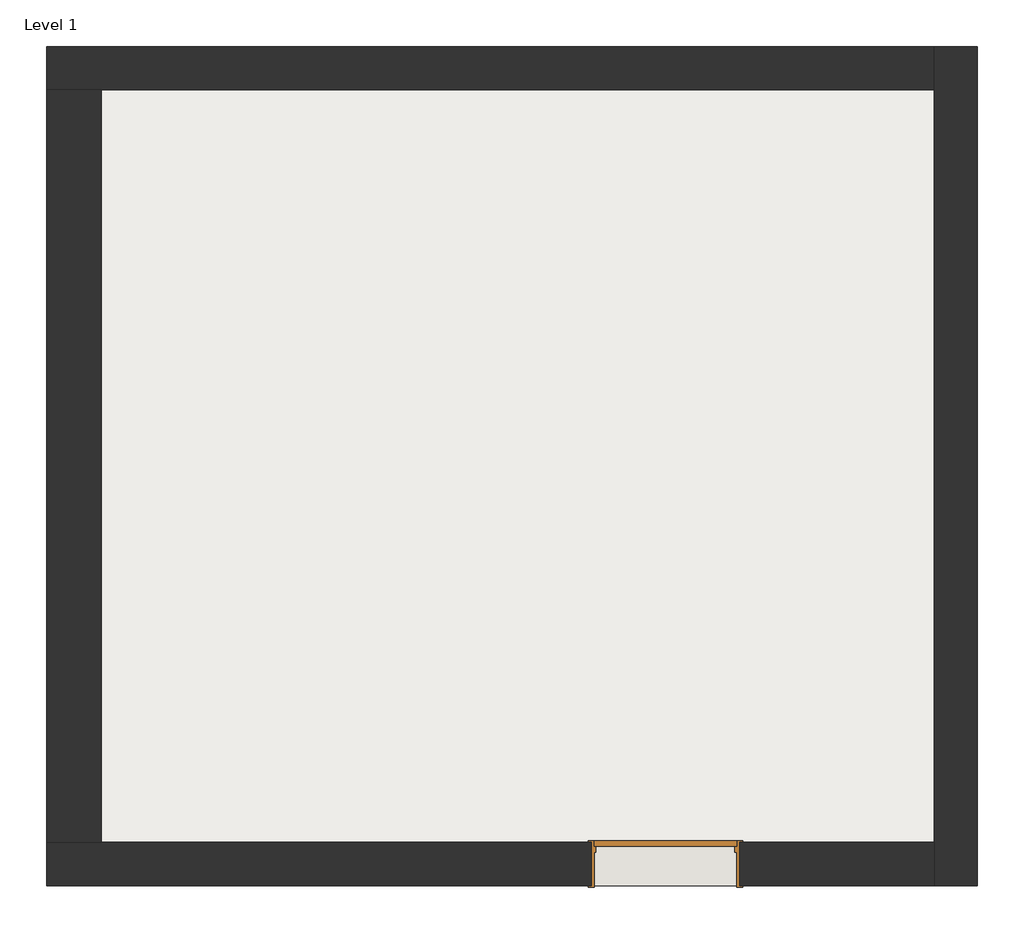
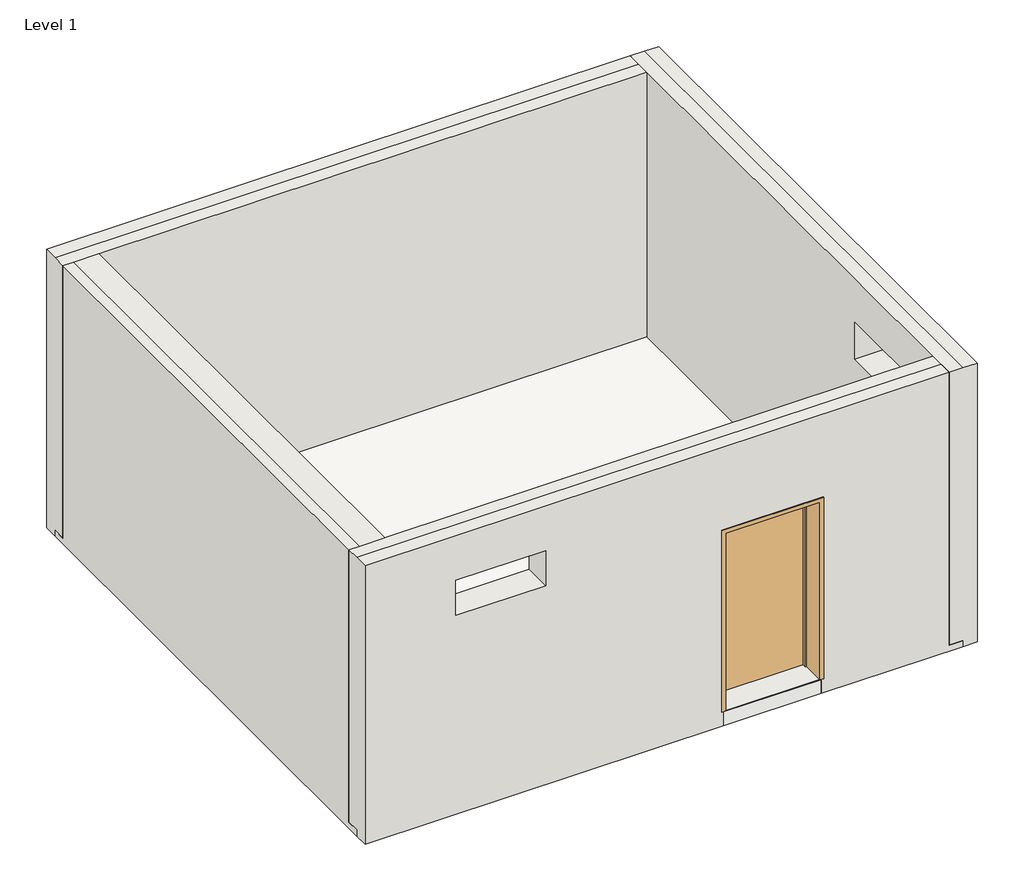
# One storey: 4 walls, 1 door, 1 slab.
"""IFC4 building model written with IfcOpenShell, lengths in millimetres."""

import ifcopenshell
import ifcopenshell.guid

model = None  # the IFC model being written
_history = None  # IfcOwnerHistory: only IFC2X3 demands one
_inside = {}  # id of a spatial element -> (the spatial element, [elements in it])
_under = {}  # id of a project, library or spatial element -> (it, [spatial elements below it])
_declared = {}  # id of a project -> (the project, [libraries it declares])
_typed = {}  # id of a type object -> (the type object, [elements of that type])
_made_of = {}  # id of a material, layer set ... -> (it, [elements and type objects made of it])


def new_model(schema):
    """Start an empty IFC model of exactly this schema.

    Asked for "IFC4X3", IfcOpenShell would pick the latest addendum, in which some entities
    have other attributes; the version numbers below select the first issue.
    IFC2X3 requires an IfcOwnerHistory on every rooted entity: one is made here for all.
    """
    global model, _history
    if schema == "IFC4X3":
        model = ifcopenshell.file(schema_version=(4, 3, 0, 0))
    else:
        model = ifcopenshell.file(schema=schema)
    _inside.clear()
    _under.clear()
    _declared.clear()
    _typed.clear()
    _made_of.clear()
    _history = None
    if model.schema == "IFC2X3":
        org = make("IfcOrganization", Name="unknown")
        user = make(
            "IfcPersonAndOrganization",
            ThePerson=make("IfcPerson", FamilyName="unknown"),
            TheOrganization=org,
        )
        app = make(
            "IfcApplication",
            ApplicationDeveloper=org,
            Version="unknown",
            ApplicationFullName="unknown",
            ApplicationIdentifier="unknown",
        )
        _history = make(
            "IfcOwnerHistory",
            OwningUser=user,
            OwningApplication=app,
            ChangeAction="ADDED",
            CreationDate=0,
        )
    return model


def make(cls, **values):
    """One entity of the class cls with the attributes given. An attribute that is None is left unset."""
    return model.create_entity(
        cls, **{name: value for name, value in values.items() if value is not None}
    )


def rooted(cls, **values):
    """An entity with a GlobalId (a new one), such as an element, a storey or a relation."""
    return make(cls, GlobalId=ifcopenshell.guid.new(), OwnerHistory=_history, **values)


def si_unit(unit_type, name, prefix=None):
    """IfcSIUnit, for example si_unit("LENGTHUNIT", "METRE", prefix="MILLI")."""
    return make("IfcSIUnit", UnitType=unit_type, Prefix=prefix, Name=name)


def assignment(units):
    """IfcUnitAssignment: the units of a project."""
    return None if units is None else make("IfcUnitAssignment", Units=units)


def point(xyz):
    """IfcCartesianPoint."""
    return None if xyz is None else make("IfcCartesianPoint", Coordinates=xyz)


def direction(xyz):
    """IfcDirection."""
    return None if xyz is None else make("IfcDirection", DirectionRatios=xyz)


def frame(location, z_axis=None, x_axis=None):
    """IfcAxis2Placement3D, a coordinate frame: its origin and axes. An axis left out is left unset."""
    return make(
        "IfcAxis2Placement3D",
        Location=point(location),
        Axis=direction(z_axis),
        RefDirection=direction(x_axis),
    )


def origin():
    """The frame at (0, 0, 0) with its axes left unset."""
    return frame((0.0, 0.0, 0.0))


def origin_with_axes():
    """The frame at (0, 0, 0) with the z axis (0, 0, 1) and the x axis (1, 0, 0) written out."""
    return frame((0.0, 0.0, 0.0), z_axis=(0.0, 0.0, 1.0), x_axis=(1.0, 0.0, 0.0))


def place(relative_to, where):
    """IfcLocalPlacement: puts the frame where relative to a parent placement (None: the world)."""
    return make(
        "IfcLocalPlacement", PlacementRelTo=relative_to, RelativePlacement=where
    )


def context(
    kind, dimensions, precision=None, world=None, true_north=None, identifier=None
):
    """IfcGeometricRepresentationContext, for example the 3D "Model" context."""
    return make(
        "IfcGeometricRepresentationContext",
        ContextIdentifier=identifier,
        ContextType=kind,
        CoordinateSpaceDimension=dimensions,
        Precision=precision,
        WorldCoordinateSystem=world,
        TrueNorth=true_north,
    )


def project(units=None, contexts=None):
    """IfcProject with its units and contexts."""
    return rooted(
        "IfcProject",
        Name="project",
        RepresentationContexts=contexts,
        UnitsInContext=assignment(units),
    )


def spatial(cls, under=None, at=None, **own):
    """A site, building, storey or space (cls), placed at a placement, below another one or the project."""
    s = rooted(cls, ObjectPlacement=at, **own)
    if under is not None:
        _under.setdefault(under.id(), (under, []))[1].append(s)
    return s


def polyline(points):
    """IfcPolyline through the points."""
    return make("IfcPolyline", Points=[point(p) for p in points])


def outline(outer, holes=None, kind="AREA"):
    """IfcArbitraryClosedProfileDef: a profile drawn as a closed curve; with holes, ...WithVoids."""
    if holes is None:
        return make("IfcArbitraryClosedProfileDef", ProfileType=kind, OuterCurve=outer)
    return make(
        "IfcArbitraryProfileDefWithVoids",
        ProfileType=kind,
        OuterCurve=outer,
        InnerCurves=holes,
    )


def extrude(swept, where, along, depth):
    """IfcExtrudedAreaSolid: the profile swept, set in the frame where, extruded along a direction by depth."""
    return make(
        "IfcExtrudedAreaSolid",
        SweptArea=swept,
        Position=where,
        ExtrudedDirection=direction(along),
        Depth=depth,
    )


def faces_of(points, faces, orient=None, outer=None):
    """IfcFace entities. A face is a list of loops; a loop is a list of indices into points, from 0.

    orient and outer hold one flag for each loop. By default every Orientation is true, the
    first loop of a face is its IfcFaceOuterBound and the others are IfcFaceBound.
    """
    made = []
    for i, loops in enumerate(faces):
        bounds = []
        for j, loop in enumerate(loops):
            is_outer = j == 0 if outer is None else outer[i][j]
            bounds.append(
                make(
                    "IfcFaceOuterBound" if is_outer else "IfcFaceBound",
                    Bound=make("IfcPolyLoop", Polygon=[points[k] for k in loop]),
                    Orientation=True if orient is None else orient[i][j],
                )
            )
        made.append(make("IfcFace", Bounds=bounds))
    return made


def faceted_brep(points, faces, orient=None, outer=None, voids=None):
    """IfcFacetedBrep: a solid bounded by flat faces; with voids (closed shells), ...WithVoids."""
    shared = [point(p) for p in points]
    hull = make("IfcClosedShell", CfsFaces=faces_of(shared, faces, orient, outer))
    if voids is None:
        return make("IfcFacetedBrep", Outer=hull)
    return make(
        "IfcFacetedBrepWithVoids",
        Outer=hull,
        Voids=[
            make(cls, CfsFaces=faces_of(shared, fs, o, b)) for cls, fs, o, b in voids
        ],
    )


def shape(context_of_items, identifier, shape_type, items):
    """IfcShapeRepresentation: the items that make up one representation, for example the "Body"."""
    return make(
        "IfcShapeRepresentation",
        ContextOfItems=context_of_items,
        RepresentationIdentifier=identifier,
        RepresentationType=shape_type,
        Items=items,
    )


def source(mapping_origin, context_of_items, identifier, shape_type, items):
    """IfcRepresentationMap: a shape defined once, which mapped items show again and again."""
    return make(
        "IfcRepresentationMap",
        MappingOrigin=mapping_origin,
        MappedRepresentation=shape(context_of_items, identifier, shape_type, items),
    )


def transform(
    local_origin,
    x_axis=None,
    y_axis=None,
    z_axis=None,
    scale=None,
    scale2=None,
    scale3=None,
    uniform=True,
):
    """IfcCartesianTransformationOperator3D, or its non-uniform kind. x_axis, y_axis, z_axis: its Axis1, 2, 3."""
    if uniform:
        return make(
            "IfcCartesianTransformationOperator3D",
            Axis1=direction(x_axis),
            Axis2=direction(y_axis),
            LocalOrigin=point(local_origin),
            Scale=scale,
            Axis3=direction(z_axis),
        )
    return make(
        "IfcCartesianTransformationOperator3DnonUniform",
        Axis1=direction(x_axis),
        Axis2=direction(y_axis),
        LocalOrigin=point(local_origin),
        Scale=scale,
        Axis3=direction(z_axis),
        Scale2=scale2,
        Scale3=scale3,
    )


def mapped(mapping_source, mapping_target):
    """IfcMappedItem: shows the shape of a source again, moved by a transform."""
    return make(
        "IfcMappedItem", MappingSource=mapping_source, MappingTarget=mapping_target
    )


def made_of(thing, what):
    """Note that an element or type object is made of a material, layer set ...; save() writes the relation."""
    if what is not None:
        _made_of.setdefault(what.id(), (what, []))[1].append(thing)
    return thing


def element(
    cls,
    number,
    at=None,
    inside=None,
    cuts=None,
    type_object=None,
    material=None,
    context=None,
    identifier="Body",
    shape_type=None,
    held_by="IfcProductDefinitionShape",
    body=None,
    shapes=None,
    **own,
):
    """One element of the class cls, such as IfcWall. Its Tag is "e" and its number.

    at: its placement. inside: the storey or other place that contains it. cuts: it is an
    opening in that element (IfcRelVoidsElement). A single representation is given by context,
    identifier, shape_type and body (its items); several are given by shapes. held_by: the class
    of the entity that holds the representations. save() writes the other relations.
    """
    e = rooted(cls, Tag="e%d" % number, ObjectPlacement=at, **own)
    if body is not None:
        shapes = [shape(context, identifier, shape_type, body)]
    if shapes is not None:
        e.Representation = make(held_by, Representations=shapes)
    if inside is not None:
        _inside.setdefault(inside.id(), (inside, []))[1].append(e)
    if cuts is not None:
        rooted(
            "IfcRelVoidsElement", RelatingBuildingElement=cuts, RelatedOpeningElement=e
        )
    if type_object is not None:
        _typed.setdefault(type_object.id(), (type_object, []))[1].append(e)
    return made_of(e, material)


def aggregate(whole, parts):
    """IfcRelAggregates: a whole, such as a stair, and the parts it consists of."""
    return rooted("IfcRelAggregates", RelatingObject=whole, RelatedObjects=parts)


def save(model, path):
    """Write the relations noted so far, then the file.

    IfcRelAggregates (storeys below a building ...), IfcRelContainedInSpatialStructure (elements
    in a storey), IfcRelDefinesByType, IfcRelAssociatesMaterial and IfcRelDeclares: one each for
    every whole, place, type object, material and project.
    """
    for whole, parts in _under.values():
        aggregate(whole, parts)
    for where, things in _inside.values():
        rooted(
            "IfcRelContainedInSpatialStructure",
            RelatedElements=things,
            RelatingStructure=where,
        )
    for kind, things in _typed.values():
        rooted("IfcRelDefinesByType", RelatedObjects=things, RelatingType=kind)
    for what, things in _made_of.values():
        rooted("IfcRelAssociatesMaterial", RelatedObjects=things, RelatingMaterial=what)
    for by, libraries in _declared.values():
        rooted("IfcRelDeclares", RelatingContext=by, RelatedDefinitions=libraries)
    model.write(path)


def single_plain_panel_hollow_metal_frame_u_acoustical_door_stc_e2106f04(model_context):
    return source(origin(), model_context, "Body", "SolidModel", [
        extrude(outline(polyline([(609.6, -152.4), (609.6, -196.85), (-609.6, -196.85), (-609.6, -152.4), (609.6, -152.4)])), origin_with_axes(), (0.0, 0.0, 1.0), 2438.4),
        faceted_brep([(660.4, 184.15, 0.0), (635.0, 184.15, 0.0), (635.0, -184.15, 0.0), (660.4, -184.15, 0.0), (660.4, -196.85, 0.0), (609.6, -196.85, 0.0), (609.6, -152.4, 0.0), (593.725, -152.4, 0.0), (593.725, -101.6, 0.0), (609.6, -101.6, 0.0), (609.6, 196.85, 0.0), (660.4, 196.85, 0.0), (660.4, 196.85, 2489.2), (660.4, 184.15, 2489.2), (609.6, 196.85, 2438.4), (-609.6, 196.85, 2438.4), (-609.6, 196.85, 0.0), (-660.4, 196.85, 0.0), (-660.4, 196.85, 2489.2), (609.6, -101.6, 2438.4), (593.725, -101.6, 2422.525), (-593.725, -101.6, 2422.525), (-593.725, -101.6, 0.0), (-609.6, -101.6, 0.0), (-609.6, -101.6, 2438.4), (593.725, -152.4, 2422.525), (609.6, -152.4, 2438.4), (-609.6, -152.4, 2438.4), (-609.6, -152.4, 0.0), (-593.725, -152.4, 0.0), (-593.725, -152.4, 2422.525), (609.6, -196.85, 2438.4), (660.4, -196.85, 2489.2), (-660.4, -196.85, 2489.2), (-660.4, -196.85, 0.0), (-609.6, -196.85, 0.0), (-609.6, -196.85, 2438.4), (660.4, -184.15, 2489.2), (635.0, -184.15, 2463.8), (-635.0, -184.15, 2463.8), (-635.0, -184.15, 0.0), (-660.4, -184.15, 0.0), (-660.4, -184.15, 2489.2), (635.0, 184.15, 2463.8), (-660.4, 184.15, 2489.2), (-660.4, 184.15, 0.0), (-635.0, 184.15, 0.0), (-635.0, 184.15, 2463.8)], [[[0, 1, 2, 3, 4, 5, 6, 7, 8, 9, 10, 11]], [[11, 12, 13, 0]], [[10, 14, 15, 16, 17, 18, 12, 11]], [[9, 19, 14, 10]], [[8, 20, 21, 22, 23, 24, 19, 9]], [[7, 25, 20, 8]], [[6, 26, 27, 28, 29, 30, 25, 7]], [[5, 31, 26, 6]], [[4, 32, 33, 34, 35, 36, 31, 5]], [[3, 37, 32, 4]], [[2, 38, 39, 40, 41, 42, 37, 3]], [[1, 43, 38, 2]], [[0, 13, 44, 45, 46, 47, 43, 1]], [[18, 17, 45, 44]], [[45, 17, 16, 23, 22, 29, 28, 35, 34, 41, 40, 46]], [[24, 23, 16, 15]], [[30, 29, 22, 21]], [[36, 35, 28, 27]], [[42, 41, 34, 33]], [[47, 46, 40, 39]], [[12, 18, 44, 13]], [[19, 24, 15, 14]], [[25, 30, 21, 20]], [[31, 36, 27, 26]], [[37, 42, 33, 32]], [[43, 47, 39, 38]]]),
    ])


model = new_model("IFC4")

# Units and contexts
model_context = context("Model", 3, world=origin())
ifc_project = project(units=[si_unit("LENGTHUNIT", "METRE", prefix="MILLI")], contexts=[model_context])

# Site, building, storey
site = spatial("IfcSite", under=ifc_project)
building = spatial("IfcBuilding", under=site)
storey = spatial("IfcBuildingStorey", under=building, Name="Level 1", Elevation=0.0)

# Door
placement = place(None, origin())
single_plain_panel_hollow_metal_frame_u_acoustical_door_stc_shape = single_plain_panel_hollow_metal_frame_u_acoustical_door_stc_e2106f04(model_context)
element("IfcDoor", 1, ObjectType="Single_Plain Panel-Hollow Metal Frame-U : Acoustical Door- STC 53 4'x8'", at=placement, inside=storey, context=model_context, shape_type="MappedRepresentation", body=[
    mapped(single_plain_panel_hollow_metal_frame_u_acoustical_door_stc_shape, transform((44819.0004879, 91670.1995381, 203.2), x_axis=(-1.0, 0.0, 0.0), y_axis=(0.0, -1.0, 0.0), z_axis=(0.0, 0.0, 1.0))),
])

# Slab
element("IfcSlab", 2, at=placement, inside=storey, context=model_context, shape_type="Brep", body=[
    faceted_brep([(47292.3254879, 98458.3495381, 0.0), (47292.3254879, 91676.5495381, 0.0), (45454.0004879, 91676.5495381, 0.0), (45454.0004879, 91486.0495381, 0.0), (44184.0004879, 91486.0495381, 0.0), (44184.0004879, 91676.5495381, 0.0), (39824.7254879, 91676.5495381, 0.0), (39824.7254879, 98458.3495381, 0.0), (47292.3254879, 98458.3495381, 190.5), (47114.5254879, 98458.3495381, 190.5), (39824.7254879, 98458.3495381, 190.5), (39824.7254879, 98280.5495381, 190.5), (39824.7254879, 91854.3495381, 190.5), (39824.7254879, 91676.5495381, 190.5), (44184.0004879, 91676.5495381, 190.5), (44184.0004879, 91486.0495381, 190.5), (45454.0004879, 91486.0495381, 190.5), (45454.0004879, 91676.5495381, 190.5), (47114.5254879, 91676.5495381, 190.5), (47292.3254879, 91676.5495381, 190.5), (47292.3254879, 98458.3495381, 82.55), (47292.3254879, 91676.5495381, 82.55), (39824.7254879, 91676.5495381, 82.55), (39824.7254879, 98458.3495381, 82.55)], [[[0, 1, 2, 3, 4, 5, 6, 7]], [[8, 9, 10, 11, 12, 13, 14, 15, 16, 17, 18, 19]], [[1, 0, 20, 8, 19, 21]], [[2, 1, 21, 19, 18, 17]], [[7, 6, 22, 13, 12, 11, 10, 23]], [[0, 7, 23, 10, 9, 8, 20]], [[3, 2, 17, 16]], [[4, 3, 16, 15]], [[5, 4, 15, 14]], [[6, 5, 14, 13, 22]]]),
])

# Walls
element("IfcWall", 3, at=placement, inside=storey, context=model_context, shape_type="Brep", body=[
    faceted_brep([(47114.5254879, 91486.0495381, 3822.7), (47114.5254879, 91854.3495381, 3822.7), (47114.5254879, 98280.5495381, 3822.7), (47114.5254879, 98648.8495381, 3822.7), (47114.5254879, 98648.8495381, 82.55), (47114.5254879, 98458.3495381, 82.55), (47114.5254879, 98458.3495381, 190.5), (47114.5254879, 98280.5495381, 190.5), (47114.5254879, 91854.3495381, 190.5), (47114.5254879, 91676.5495381, 190.5), (47114.5254879, 91676.5495381, 82.55), (47114.5254879, 91486.0495381, 82.55), (47114.5254879, 93608.2439106, 3225.8), (47114.5254879, 92033.4439106, 3225.8), (47114.5254879, 92033.4439106, 2717.8), (47114.5254879, 93608.2439106, 2717.8), (47482.8254879, 91486.0495381, 0.0), (47482.8254879, 98648.8495381, 0.0), (47482.8254879, 98648.8495381, 3822.7), (47482.8254879, 91486.0495381, 3822.7), (47482.8254879, 92033.4439106, 3225.8), (47482.8254879, 93608.2439106, 3225.8), (47482.8254879, 93608.2439106, 2717.8), (47482.8254879, 92033.4439106, 2717.8), (47292.3254879, 98648.8495381, 3822.7), (47292.3254879, 98648.8495381, 0.0), (47292.3254879, 98648.8495381, 82.55), (47292.3254879, 91486.0495381, 82.55), (47292.3254879, 91486.0495381, 0.0), (47292.3254879, 91486.0495381, 3822.7), (47292.3254879, 91676.5495381, 0.0), (47292.3254879, 98458.3495381, 0.0), (47292.3254879, 91676.5495381, 82.55), (47292.3254879, 91676.5495381, 190.5), (47292.3254879, 98458.3495381, 190.5), (47292.3254879, 98458.3495381, 82.55)], [[[0, 1, 2, 3, 4, 5, 6, 7, 8, 9, 10, 11], [12, 13, 14, 15]], [[16, 17, 18, 19], [20, 21, 22, 23]], [[4, 3, 24, 18, 17, 25, 26]], [[0, 11, 27, 28, 16, 19, 29]], [[17, 16, 28, 30, 31, 25]], [[26, 25, 31, 30, 28, 27, 32, 33, 34, 35]], [[4, 26, 35, 5]], [[27, 11, 10, 32]], [[12, 21, 20, 13]], [[14, 23, 22, 15]], [[21, 12, 15, 22]], [[13, 20, 23, 14]], [[3, 2, 1, 0, 29, 24]], [[29, 19, 18, 24]], [[34, 33, 9, 8, 7, 6]], [[33, 32, 10, 9]], [[35, 34, 6, 5]]]),
])
element("IfcWall", 4, at=placement, inside=storey, context=model_context, shape_type="Brep", body=[
    faceted_brep([(47114.5254879, 98280.5495381, 3822.7), (40002.5254879, 98280.5495381, 3822.7), (39535.8004879, 98280.5495381, 3822.7), (39535.8004879, 98280.5495381, 82.55), (39824.7254879, 98280.5495381, 82.55), (39824.7254879, 98280.5495381, 190.5), (40002.5254879, 98280.5495381, 190.5), (47114.5254879, 98280.5495381, 190.5), (47114.5254879, 98648.8495381, 82.55), (47292.3254879, 98648.8495381, 82.55), (47292.3254879, 98648.8495381, 0.0), (39535.8004879, 98648.8495381, 0.0), (39535.8004879, 98648.8495381, 3822.7), (47114.5254879, 98648.8495381, 3822.7), (47114.5254879, 98458.3495381, 3822.7), (47114.5254879, 98458.3495381, 190.5), (47114.5254879, 98458.3495381, 82.55), (47292.3254879, 98458.3495381, 0.0), (39824.7254879, 98458.3495381, 0.0), (39535.8004879, 98458.3495381, 0.0), (47292.3254879, 98458.3495381, 82.55), (39824.7254879, 98458.3495381, 190.5), (39824.7254879, 98458.3495381, 82.55), (39535.8004879, 98458.3495381, 82.55), (39535.8004879, 98458.3495381, 3822.7)], [[[0, 1, 2, 3, 4, 5, 6, 7]], [[8, 9, 10, 11, 12, 13]], [[8, 13, 14, 0, 7, 15, 16]], [[10, 17, 18, 19, 11]], [[20, 16, 15, 21, 22, 23, 19, 18, 17]], [[3, 23, 22, 4]], [[9, 8, 16, 20]], [[17, 10, 9, 20]], [[2, 1, 0, 14, 24]], [[14, 13, 12, 24]], [[3, 2, 24, 12, 11, 19, 23]], [[5, 21, 15, 7, 6]], [[22, 21, 5, 4]]]),
])
element("IfcWall", 5, at=placement, inside=storey, context=model_context, shape_type="Brep", body=[
    faceted_brep([(39535.8004879, 91854.3495381, 3822.7), (40002.5254879, 91854.3495381, 3822.7), (47114.5254879, 91854.3495381, 3822.7), (47114.5254879, 91854.3495381, 190.5), (40002.5254879, 91854.3495381, 190.5), (39824.7254879, 91854.3495381, 190.5), (39824.7254879, 91854.3495381, 82.55), (39535.8004879, 91854.3495381, 82.55), (44184.0004879, 91854.3495381, 2667.0), (44184.0004879, 91854.3495381, 203.2), (45454.0004879, 91854.3495381, 203.2), (45454.0004879, 91854.3495381, 2667.0), (41878.1873064, 91854.3495381, 3213.1), (40709.7873064, 91854.3495381, 3213.1), (40709.7873064, 91854.3495381, 2730.5), (41878.1873064, 91854.3495381, 2730.5), (47292.3254879, 91486.0495381, 82.55), (47114.5254879, 91486.0495381, 82.55), (47114.5254879, 91486.0495381, 3822.7), (39535.8004879, 91486.0495381, 3822.7), (39535.8004879, 91486.0495381, 0.0), (44184.0004879, 91486.0495381, 0.0), (44184.0004879, 91486.0495381, 190.5), (45454.0004879, 91486.0495381, 190.5), (45454.0004879, 91486.0495381, 0.0), (47292.3254879, 91486.0495381, 0.0), (44184.0004879, 91486.0495381, 203.2), (44184.0004879, 91486.0495381, 2667.0), (45454.0004879, 91486.0495381, 2667.0), (45454.0004879, 91486.0495381, 203.2), (40709.7873064, 91486.0495381, 3213.1), (41878.1873064, 91486.0495381, 3213.1), (41878.1873064, 91486.0495381, 2730.5), (40709.7873064, 91486.0495381, 2730.5), (47114.5254879, 91676.5495381, 82.55), (47114.5254879, 91676.5495381, 190.5), (47114.5254879, 91676.5495381, 3822.7), (47292.3254879, 91676.5495381, 0.0), (45454.0004879, 91676.5495381, 0.0), (39535.8004879, 91676.5495381, 0.0), (39824.7254879, 91676.5495381, 0.0), (44184.0004879, 91676.5495381, 0.0), (47292.3254879, 91676.5495381, 82.55), (45454.0004879, 91676.5495381, 190.5), (39535.8004879, 91676.5495381, 82.55), (39824.7254879, 91676.5495381, 82.55), (39824.7254879, 91676.5495381, 190.5), (44184.0004879, 91676.5495381, 190.5), (39535.8004879, 91676.5495381, 3822.7)], [[[0, 1, 2, 3, 4, 5, 6, 7], [8, 9, 10, 11], [12, 13, 14, 15]], [[16, 17, 18, 19, 20, 21, 22, 23, 24, 25], [26, 27, 28, 29], [30, 31, 32, 33]], [[18, 17, 34, 35, 3, 2, 36]], [[9, 8, 27, 26]], [[8, 11, 28, 27]], [[11, 10, 29, 28]], [[10, 9, 26, 29]], [[12, 31, 30, 13]], [[14, 33, 32, 15]], [[31, 12, 15, 32]], [[13, 30, 33, 14]], [[37, 25, 24, 38]], [[20, 39, 40, 41, 21]], [[34, 42, 37, 38, 43, 35]], [[39, 44, 45, 46, 47, 41, 40]], [[44, 7, 6, 45]], [[42, 34, 17, 16]], [[25, 37, 42, 16]], [[0, 7, 44, 39, 20, 19, 48]], [[2, 1, 0, 48, 36]], [[48, 19, 18, 36]], [[47, 46, 5, 4, 3, 35, 43, 23, 22]], [[46, 45, 6, 5]], [[23, 43, 38, 24]], [[41, 47, 22, 21]]]),
])
element("IfcWall", 6, at=placement, inside=storey, context=model_context, shape_type="Brep", body=[
    faceted_brep([(39535.8004879, 91854.3495381, 3822.7), (39535.8004879, 98280.5495381, 3822.7), (39535.8004879, 98280.5495381, 82.55), (39535.8004879, 98458.3495381, 82.55), (39535.8004879, 98458.3495381, 0.0), (39535.8004879, 91676.5495381, 0.0), (39535.8004879, 91676.5495381, 82.55), (39535.8004879, 91854.3495381, 82.55), (40002.5254879, 98280.5495381, 3822.7), (40002.5254879, 91854.3495381, 3822.7), (40002.5254879, 91854.3495381, 190.5), (40002.5254879, 98280.5495381, 190.5), (39675.5004879, 98280.5495381, 3822.7), (39675.5004879, 91854.3495381, 3822.7), (39824.7254879, 91676.5495381, 0.0), (39824.7254879, 98458.3495381, 0.0), (39824.7254879, 91854.3495381, 82.55), (39824.7254879, 91676.5495381, 82.55), (39824.7254879, 98458.3495381, 82.55), (39824.7254879, 98280.5495381, 82.55), (39824.7254879, 98280.5495381, 190.5), (39824.7254879, 91854.3495381, 190.5)], [[[0, 1, 2, 3, 4, 5, 6, 7]], [[8, 9, 10, 11]], [[9, 8, 12, 13]], [[1, 0, 13, 12]], [[14, 5, 4, 15]], [[16, 17, 14, 15, 18, 19, 20, 21]], [[9, 13, 0, 7, 16, 21, 10]], [[17, 16, 7, 6]], [[5, 14, 17, 6]], [[12, 8, 11, 20, 19, 2, 1]], [[3, 2, 19, 18]], [[15, 4, 3, 18]], [[21, 20, 11, 10]]]),
])

save(model, "model.ifc")
